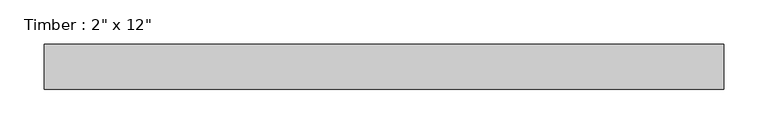
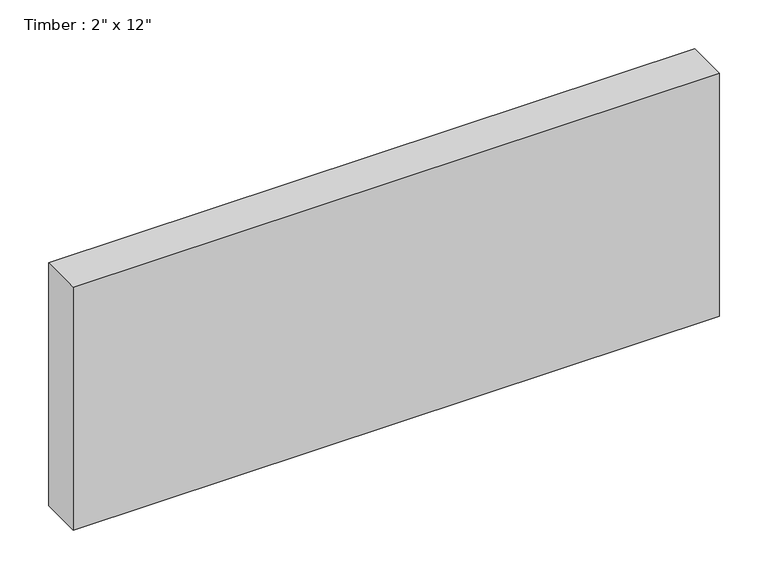
"""IFC4 building model written with IfcOpenShell, lengths in millimetres: beam geometry."""

from ifc_helpers import new_model, si_unit, frame, origin, place, context, project, spatial, polyline, outline, extrude, source, transform, mapped, element, save


def beam_50706217(model_context):
    return source(origin(), model_context, "Body", "SweptSolid", [
        extrude(outline(polyline([(383.2228567, 25.4), (383.2228567, -25.4), (-383.2228567, -25.4), (-383.2228567, 25.4), (383.2228567, 25.4)])), frame((0.0, 0.0, -152.4), z_axis=(0.0, 0.0, 1.0), x_axis=(1.0, 0.0, 0.0)), (0.0, 0.0, 1.0), 304.8),
    ])


if __name__ == "__main__":
    model = new_model("IFC4")
    model_context = context("Model", 3, world=origin())
    ifc_project = project(units=[si_unit("LENGTHUNIT", "METRE", prefix="MILLI")], contexts=[model_context])
    site = spatial("IfcSite", under=ifc_project)
    building = spatial("IfcBuilding", under=site)
    placement = place(None, origin())
    beam_shape = beam_50706217(model_context)
    element("IfcBeam", 1, ObjectType="Timber : 2\" x 12\"", at=placement, inside=building, context=model_context, shape_type="MappedRepresentation", body=[
        mapped(beam_shape, transform((0.0, 0.0, 0.0), x_axis=(1.0, 0.0, 0.0), y_axis=(0.0, 1.0, 0.0), z_axis=(0.0, 0.0, 1.0))),
    ])
    save(model, "model.ifc")
